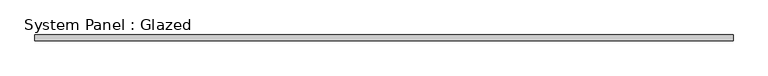
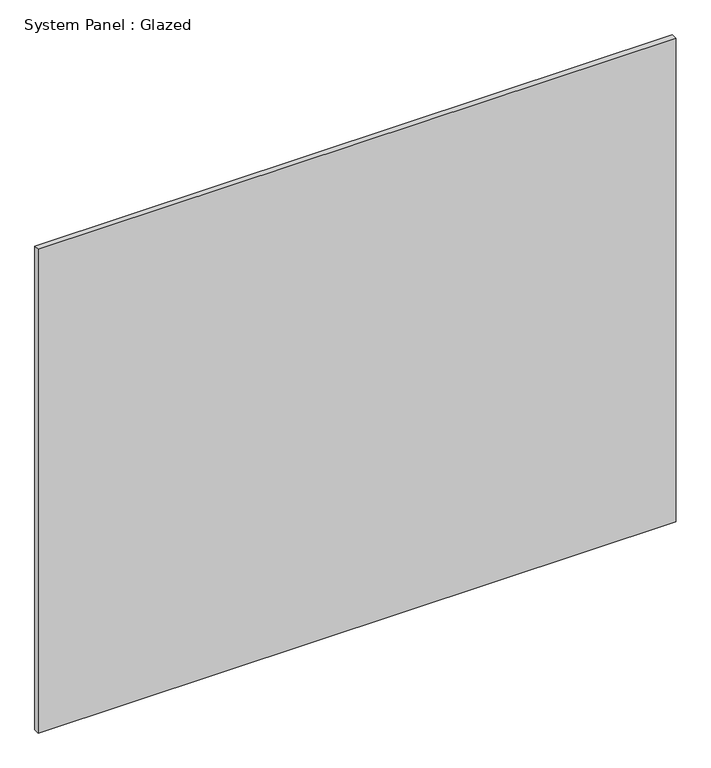
"""IFC4 building model written with IfcOpenShell, lengths in millimetres: plate geometry, System Panel : Glazed."""

from ifc_helpers import new_model, si_unit, origin, origin_with_axes, place, context, project, spatial, polyline, outline, extrude, source, transform, mapped, element, save


def system_panel_glazed_502f63ff(model_context):
    return source(origin(), model_context, "Body", "SweptSolid", [
        extrude(outline(polyline([(1461.77, 19.05), (-1461.77, 19.05), (-1461.77, 44.45), (1461.77, 44.45), (1461.77, 19.05)])), origin_with_axes(), (0.0, 0.0, 1.0), 2343.15),
    ])


if __name__ == "__main__":
    model = new_model("IFC4")
    model_context = context("Model", 3, world=origin())
    ifc_project = project(units=[si_unit("LENGTHUNIT", "METRE", prefix="MILLI")], contexts=[model_context])
    site = spatial("IfcSite", under=ifc_project)
    building = spatial("IfcBuilding", under=site)
    placement = place(None, origin())
    system_panel_glazed_shape = system_panel_glazed_502f63ff(model_context)
    element("IfcPlate", 1, ObjectType="System Panel : Glazed", at=placement, inside=building, context=model_context, shape_type="MappedRepresentation", body=[
        mapped(system_panel_glazed_shape, transform((0.0, 0.0, 0.0), x_axis=(1.0, 0.0, 0.0), y_axis=(0.0, 1.0, 0.0), z_axis=(0.0, 0.0, 1.0))),
    ])
    save(model, "model.ifc")
